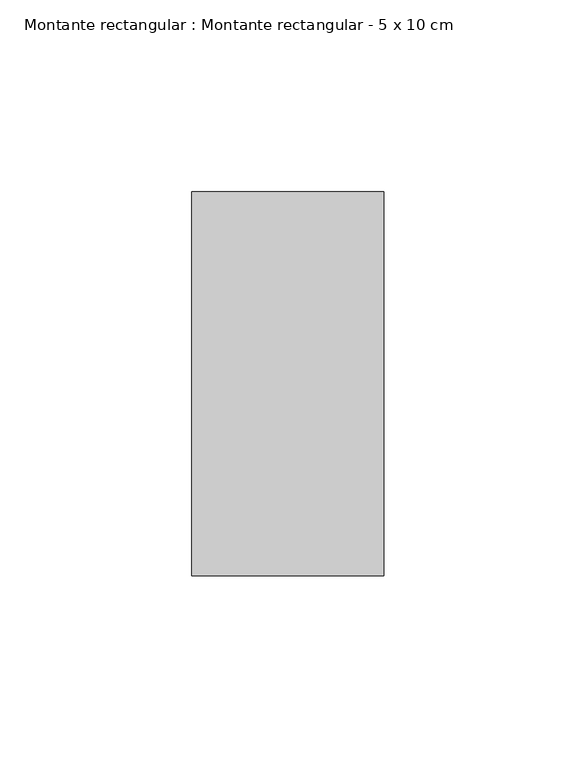
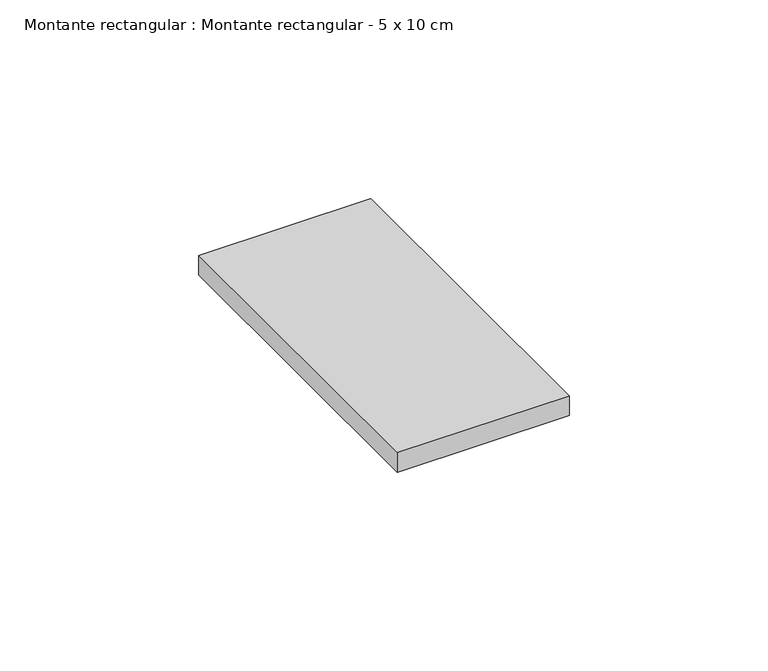
"""IFC4 building model written with IfcOpenShell, lengths in millimetres: member geometry, Montante rectangular : Montante rectangular - 5 x 10 cm."""

from ifc_helpers import new_model, si_unit, frame, origin, place, context, project, spatial, polyline, outline, extrude, source, transform, mapped, element, save


def montante_rectangular_montante_rectangular_5_x_10_cm_9f8c8a8a(model_context):
    return source(origin(), model_context, "Body", "SweptSolid", [
        extrude(outline(polyline([(0.0, 50.0), (0.0, -50.0), (-50.0, -50.0), (-50.0, 50.0), (0.0, 50.0)])), frame((0.0, 0.0, -6.0), z_axis=(0.0, 0.0, 1.0), x_axis=(1.0, 0.0, 0.0)), (0.0, 0.0, 1.0), 6.0),
    ])


if __name__ == "__main__":
    model = new_model("IFC4")
    model_context = context("Model", 3, world=origin())
    ifc_project = project(units=[si_unit("LENGTHUNIT", "METRE", prefix="MILLI")], contexts=[model_context])
    site = spatial("IfcSite", under=ifc_project)
    building = spatial("IfcBuilding", under=site)
    placement = place(None, origin())
    montante_rectangular_montante_rectangular_5_x_10_cm_shape = montante_rectangular_montante_rectangular_5_x_10_cm_9f8c8a8a(model_context)
    element("IfcMember", 1, ObjectType="Montante rectangular : Montante rectangular - 5 x 10 cm", at=placement, inside=building, context=model_context, shape_type="MappedRepresentation", body=[
        mapped(montante_rectangular_montante_rectangular_5_x_10_cm_shape, transform((0.0, 0.0, 0.0), x_axis=(1.0, 0.0, 0.0), y_axis=(0.0, 1.0, 0.0), z_axis=(0.0, 0.0, 1.0))),
    ])
    save(model, "model.ifc")
